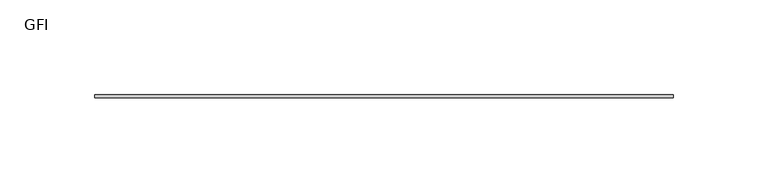
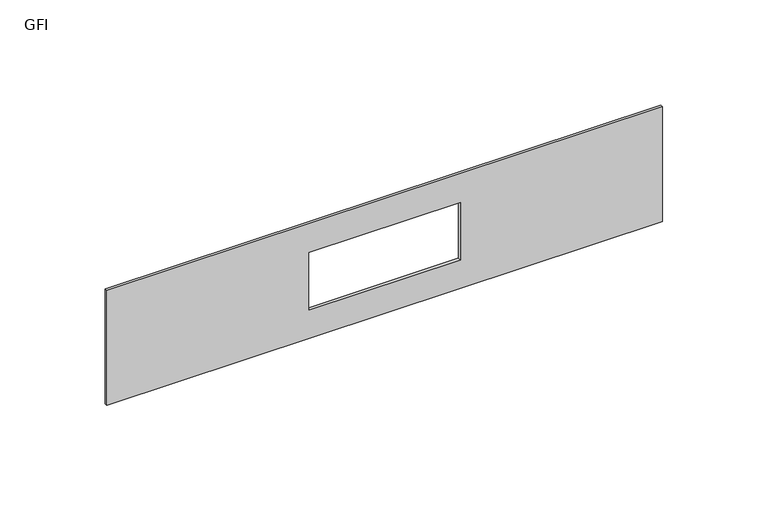
"""IFC4 building model written with IfcOpenShell, lengths in millimetres: furniture geometry, GFI."""

from ifc_helpers import new_model, si_unit, frame, origin, place, context, project, spatial, polyline, outline, extrude, source, transform, mapped, element, save


def gfi_4636e0ad(model_context):
    return source(origin(), model_context, "Body", "SweptSolid", [
        extrude(outline(polyline([(1152.525, 171.1377049), (1152.525, -133.6622951), (1085.85, -133.6622951), (1085.85, 171.1377049), (1152.525, 171.1377049)]), holes=[polyline([(1135.8626, 60.3048049), (1102.5124, 60.3048049), (1102.5124, -22.8293951), (1135.8626, -22.8293951), (1135.8626, 60.3048049)])]), frame((0.0, -1.5875, 0.0), z_axis=(0.0, 1.0, 0.0), x_axis=(0.0, 0.0, 1.0)), (0.0, 0.0, 1.0), 1.5875),
    ])


if __name__ == "__main__":
    model = new_model("IFC4")
    model_context = context("Model", 3, world=origin())
    ifc_project = project(units=[si_unit("LENGTHUNIT", "METRE", prefix="MILLI")], contexts=[model_context])
    site = spatial("IfcSite", under=ifc_project)
    building = spatial("IfcBuilding", under=site)
    placement = place(None, origin())
    gfi_shape = gfi_4636e0ad(model_context)
    element("IfcFurniture", 1, ObjectType="GFI", at=placement, inside=building, context=model_context, shape_type="MappedRepresentation", body=[
        mapped(gfi_shape, transform((0.0, 0.0, 0.0), x_axis=(1.0, 0.0, 0.0), y_axis=(0.0, 1.0, 0.0), z_axis=(0.0, 0.0, 1.0))),
    ])
    save(model, "model.ifc")
